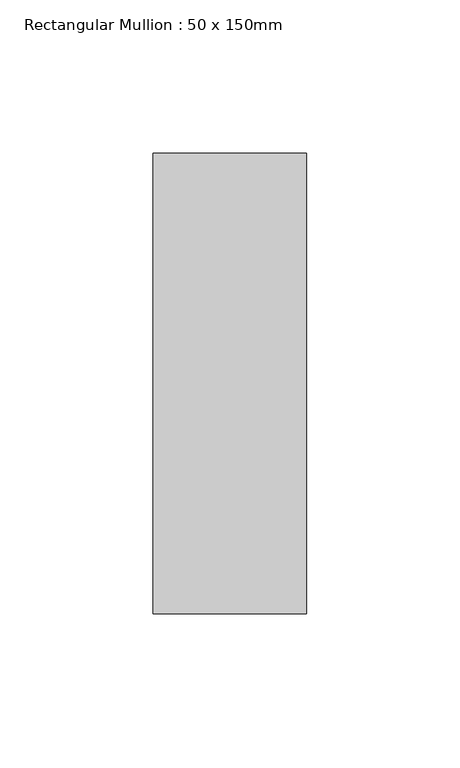
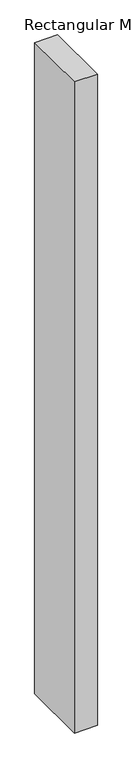
"""IFC4 building model written with IfcOpenShell, lengths in millimetres: member geometry, Rectangular Mullion : 50 x 150mm."""

from ifc_helpers import new_model, si_unit, frame, origin, place, context, project, spatial, polyline, outline, extrude, source, transform, mapped, element, save


def rectangular_mullion_50_x_150mm_19a40ebd(model_context):
    return source(origin(), model_context, "Body", "SweptSolid", [
        extrude(outline(polyline([(25.0, 75.0), (25.0, -75.0), (-25.0, -75.0), (-25.0, 75.0), (25.0, 75.0)])), frame((0.0, 0.0, -1500.5124378), z_axis=(0.0, 0.0, 1.0), x_axis=(1.0, 0.0, 0.0)), (0.0, 0.0, 1.0), 1500.5124378),
    ])


if __name__ == "__main__":
    model = new_model("IFC4")
    model_context = context("Model", 3, world=origin())
    ifc_project = project(units=[si_unit("LENGTHUNIT", "METRE", prefix="MILLI")], contexts=[model_context])
    site = spatial("IfcSite", under=ifc_project)
    building = spatial("IfcBuilding", under=site)
    placement = place(None, origin())
    rectangular_mullion_50_x_150mm_shape = rectangular_mullion_50_x_150mm_19a40ebd(model_context)
    element("IfcMember", 1, ObjectType="Rectangular Mullion : 50 x 150mm", at=placement, inside=building, context=model_context, shape_type="MappedRepresentation", body=[
        mapped(rectangular_mullion_50_x_150mm_shape, transform((0.0, 0.0, 0.0), x_axis=(1.0, 0.0, 0.0), y_axis=(0.0, 1.0, 0.0), z_axis=(0.0, 0.0, 1.0))),
    ])
    save(model, "model.ifc")
